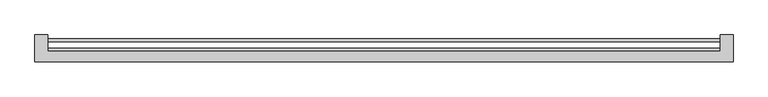
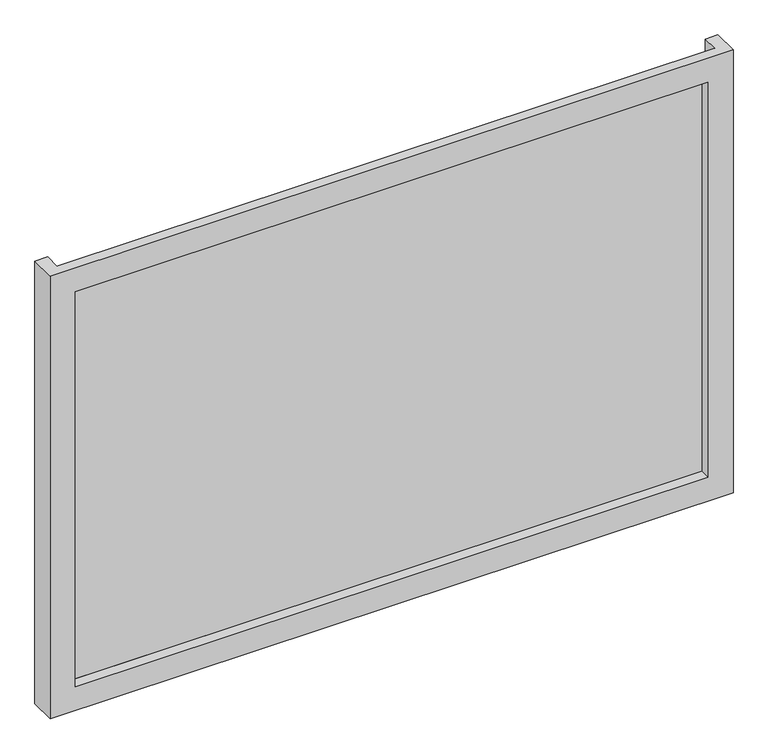
"""IFC4 building model written with IfcOpenShell, lengths in millimetres: plate geometry."""

import ifcopenshell
import ifcopenshell.guid

model = None  # the IFC model being written
_history = None  # IfcOwnerHistory: only IFC2X3 demands one
_inside = {}  # id of a spatial element -> (the spatial element, [elements in it])
_under = {}  # id of a project, library or spatial element -> (it, [spatial elements below it])
_declared = {}  # id of a project -> (the project, [libraries it declares])
_typed = {}  # id of a type object -> (the type object, [elements of that type])
_made_of = {}  # id of a material, layer set ... -> (it, [elements and type objects made of it])


def new_model(schema):
    """Start an empty IFC model of exactly this schema.

    Asked for "IFC4X3", IfcOpenShell would pick the latest addendum, in which some entities
    have other attributes; the version numbers below select the first issue.
    IFC2X3 requires an IfcOwnerHistory on every rooted entity: one is made here for all.
    """
    global model, _history
    if schema == "IFC4X3":
        model = ifcopenshell.file(schema_version=(4, 3, 0, 0))
    else:
        model = ifcopenshell.file(schema=schema)
    _inside.clear()
    _under.clear()
    _declared.clear()
    _typed.clear()
    _made_of.clear()
    _history = None
    if model.schema == "IFC2X3":
        org = make("IfcOrganization", Name="unknown")
        user = make(
            "IfcPersonAndOrganization",
            ThePerson=make("IfcPerson", FamilyName="unknown"),
            TheOrganization=org,
        )
        app = make(
            "IfcApplication",
            ApplicationDeveloper=org,
            Version="unknown",
            ApplicationFullName="unknown",
            ApplicationIdentifier="unknown",
        )
        _history = make(
            "IfcOwnerHistory",
            OwningUser=user,
            OwningApplication=app,
            ChangeAction="ADDED",
            CreationDate=0,
        )
    return model


def make(cls, **values):
    """One entity of the class cls with the attributes given. An attribute that is None is left unset."""
    return model.create_entity(
        cls, **{name: value for name, value in values.items() if value is not None}
    )


def rooted(cls, **values):
    """An entity with a GlobalId (a new one), such as an element, a storey or a relation."""
    return make(cls, GlobalId=ifcopenshell.guid.new(), OwnerHistory=_history, **values)


def si_unit(unit_type, name, prefix=None):
    """IfcSIUnit, for example si_unit("LENGTHUNIT", "METRE", prefix="MILLI")."""
    return make("IfcSIUnit", UnitType=unit_type, Prefix=prefix, Name=name)


def assignment(units):
    """IfcUnitAssignment: the units of a project."""
    return None if units is None else make("IfcUnitAssignment", Units=units)


def point(xyz):
    """IfcCartesianPoint."""
    return None if xyz is None else make("IfcCartesianPoint", Coordinates=xyz)


def direction(xyz):
    """IfcDirection."""
    return None if xyz is None else make("IfcDirection", DirectionRatios=xyz)


def frame(location, z_axis=None, x_axis=None):
    """IfcAxis2Placement3D, a coordinate frame: its origin and axes. An axis left out is left unset."""
    return make(
        "IfcAxis2Placement3D",
        Location=point(location),
        Axis=direction(z_axis),
        RefDirection=direction(x_axis),
    )


def origin():
    """The frame at (0, 0, 0) with its axes left unset."""
    return frame((0.0, 0.0, 0.0))


def origin_with_axes():
    """The frame at (0, 0, 0) with the z axis (0, 0, 1) and the x axis (1, 0, 0) written out."""
    return frame((0.0, 0.0, 0.0), z_axis=(0.0, 0.0, 1.0), x_axis=(1.0, 0.0, 0.0))


def place(relative_to, where):
    """IfcLocalPlacement: puts the frame where relative to a parent placement (None: the world)."""
    return make(
        "IfcLocalPlacement", PlacementRelTo=relative_to, RelativePlacement=where
    )


def context(
    kind, dimensions, precision=None, world=None, true_north=None, identifier=None
):
    """IfcGeometricRepresentationContext, for example the 3D "Model" context."""
    return make(
        "IfcGeometricRepresentationContext",
        ContextIdentifier=identifier,
        ContextType=kind,
        CoordinateSpaceDimension=dimensions,
        Precision=precision,
        WorldCoordinateSystem=world,
        TrueNorth=true_north,
    )


def project(units=None, contexts=None):
    """IfcProject with its units and contexts."""
    return rooted(
        "IfcProject",
        Name="project",
        RepresentationContexts=contexts,
        UnitsInContext=assignment(units),
    )


def spatial(cls, under=None, at=None, **own):
    """A site, building, storey or space (cls), placed at a placement, below another one or the project."""
    s = rooted(cls, ObjectPlacement=at, **own)
    if under is not None:
        _under.setdefault(under.id(), (under, []))[1].append(s)
    return s


def polyline(points):
    """IfcPolyline through the points."""
    return make("IfcPolyline", Points=[point(p) for p in points])


def outline(outer, holes=None, kind="AREA"):
    """IfcArbitraryClosedProfileDef: a profile drawn as a closed curve; with holes, ...WithVoids."""
    if holes is None:
        return make("IfcArbitraryClosedProfileDef", ProfileType=kind, OuterCurve=outer)
    return make(
        "IfcArbitraryProfileDefWithVoids",
        ProfileType=kind,
        OuterCurve=outer,
        InnerCurves=holes,
    )


def extrude(swept, where, along, depth):
    """IfcExtrudedAreaSolid: the profile swept, set in the frame where, extruded along a direction by depth."""
    return make(
        "IfcExtrudedAreaSolid",
        SweptArea=swept,
        Position=where,
        ExtrudedDirection=direction(along),
        Depth=depth,
    )


def faces_of(points, faces, orient=None, outer=None):
    """IfcFace entities. A face is a list of loops; a loop is a list of indices into points, from 0.

    orient and outer hold one flag for each loop. By default every Orientation is true, the
    first loop of a face is its IfcFaceOuterBound and the others are IfcFaceBound.
    """
    made = []
    for i, loops in enumerate(faces):
        bounds = []
        for j, loop in enumerate(loops):
            is_outer = j == 0 if outer is None else outer[i][j]
            bounds.append(
                make(
                    "IfcFaceOuterBound" if is_outer else "IfcFaceBound",
                    Bound=make("IfcPolyLoop", Polygon=[points[k] for k in loop]),
                    Orientation=True if orient is None else orient[i][j],
                )
            )
        made.append(make("IfcFace", Bounds=bounds))
    return made


def faceted_brep(points, faces, orient=None, outer=None, voids=None):
    """IfcFacetedBrep: a solid bounded by flat faces; with voids (closed shells), ...WithVoids."""
    shared = [point(p) for p in points]
    hull = make("IfcClosedShell", CfsFaces=faces_of(shared, faces, orient, outer))
    if voids is None:
        return make("IfcFacetedBrep", Outer=hull)
    return make(
        "IfcFacetedBrepWithVoids",
        Outer=hull,
        Voids=[
            make(cls, CfsFaces=faces_of(shared, fs, o, b)) for cls, fs, o, b in voids
        ],
    )


def shape(context_of_items, identifier, shape_type, items):
    """IfcShapeRepresentation: the items that make up one representation, for example the "Body"."""
    return make(
        "IfcShapeRepresentation",
        ContextOfItems=context_of_items,
        RepresentationIdentifier=identifier,
        RepresentationType=shape_type,
        Items=items,
    )


def source(mapping_origin, context_of_items, identifier, shape_type, items):
    """IfcRepresentationMap: a shape defined once, which mapped items show again and again."""
    return make(
        "IfcRepresentationMap",
        MappingOrigin=mapping_origin,
        MappedRepresentation=shape(context_of_items, identifier, shape_type, items),
    )


def transform(
    local_origin,
    x_axis=None,
    y_axis=None,
    z_axis=None,
    scale=None,
    scale2=None,
    scale3=None,
    uniform=True,
):
    """IfcCartesianTransformationOperator3D, or its non-uniform kind. x_axis, y_axis, z_axis: its Axis1, 2, 3."""
    if uniform:
        return make(
            "IfcCartesianTransformationOperator3D",
            Axis1=direction(x_axis),
            Axis2=direction(y_axis),
            LocalOrigin=point(local_origin),
            Scale=scale,
            Axis3=direction(z_axis),
        )
    return make(
        "IfcCartesianTransformationOperator3DnonUniform",
        Axis1=direction(x_axis),
        Axis2=direction(y_axis),
        LocalOrigin=point(local_origin),
        Scale=scale,
        Axis3=direction(z_axis),
        Scale2=scale2,
        Scale3=scale3,
    )


def mapped(mapping_source, mapping_target):
    """IfcMappedItem: shows the shape of a source again, moved by a transform."""
    return make(
        "IfcMappedItem", MappingSource=mapping_source, MappingTarget=mapping_target
    )


def made_of(thing, what):
    """Note that an element or type object is made of a material, layer set ...; save() writes the relation."""
    if what is not None:
        _made_of.setdefault(what.id(), (what, []))[1].append(thing)
    return thing


def element(
    cls,
    number,
    at=None,
    inside=None,
    cuts=None,
    type_object=None,
    material=None,
    context=None,
    identifier="Body",
    shape_type=None,
    held_by="IfcProductDefinitionShape",
    body=None,
    shapes=None,
    **own,
):
    """One element of the class cls, such as IfcWall. Its Tag is "e" and its number.

    at: its placement. inside: the storey or other place that contains it. cuts: it is an
    opening in that element (IfcRelVoidsElement). A single representation is given by context,
    identifier, shape_type and body (its items); several are given by shapes. held_by: the class
    of the entity that holds the representations. save() writes the other relations.
    """
    e = rooted(cls, Tag="e%d" % number, ObjectPlacement=at, **own)
    if body is not None:
        shapes = [shape(context, identifier, shape_type, body)]
    if shapes is not None:
        e.Representation = make(held_by, Representations=shapes)
    if inside is not None:
        _inside.setdefault(inside.id(), (inside, []))[1].append(e)
    if cuts is not None:
        rooted(
            "IfcRelVoidsElement", RelatingBuildingElement=cuts, RelatedOpeningElement=e
        )
    if type_object is not None:
        _typed.setdefault(type_object.id(), (type_object, []))[1].append(e)
    return made_of(e, material)


def aggregate(whole, parts):
    """IfcRelAggregates: a whole, such as a stair, and the parts it consists of."""
    return rooted("IfcRelAggregates", RelatingObject=whole, RelatedObjects=parts)


def save(model, path):
    """Write the relations noted so far, then the file.

    IfcRelAggregates (storeys below a building ...), IfcRelContainedInSpatialStructure (elements
    in a storey), IfcRelDefinesByType, IfcRelAssociatesMaterial and IfcRelDeclares: one each for
    every whole, place, type object, material and project.
    """
    for whole, parts in _under.values():
        aggregate(whole, parts)
    for where, things in _inside.values():
        rooted(
            "IfcRelContainedInSpatialStructure",
            RelatedElements=things,
            RelatingStructure=where,
        )
    for kind, things in _typed.values():
        rooted("IfcRelDefinesByType", RelatedObjects=things, RelatingType=kind)
    for what, things in _made_of.values():
        rooted("IfcRelAssociatesMaterial", RelatedObjects=things, RelatingMaterial=what)
    for by, libraries in _declared.values():
        rooted("IfcRelDeclares", RelatingContext=by, RelatedDefinitions=libraries)
    model.write(path)


def plate_b694ee06(model_context):
    return source(origin(), model_context, "Body", "SolidModel", [
        faceted_brep([(675.0, -51.0, -50.0), (675.0, -103.0, -50.0), (-675.0, -103.0, -50.0), (-675.0, -51.0, -50.0), (-650.0, -51.0, -50.0), (-650.0, -83.0, -50.0), (650.0, -83.0, -50.0), (650.0, -51.0, -50.0), (625.0, -103.0, 0.0), (625.0, -83.0, 0.0), (-625.0, -83.0, 0.0), (-625.0, -103.0, 0.0), (675.0, -103.0, 875.0), (-675.0, -103.0, 875.0), (-625.0, -103.0, 825.0), (625.0, -103.0, 825.0), (-650.0, -83.0, 875.0), (650.0, -83.0, 875.0), (625.0, -83.0, 825.0), (-625.0, -83.0, 825.0), (675.0, -51.0, 875.0), (650.0, -51.0, 875.0), (-650.0, -51.0, 875.0), (-675.0, -51.0, 875.0)], [[[0, 1, 2, 3, 4, 5, 6, 7]], [[8, 9, 10, 11]], [[12, 13, 2, 1], [11, 14, 15, 8]], [[16, 17, 6, 5], [9, 18, 19, 10]], [[20, 21, 17, 16, 22, 23, 13, 12]], [[20, 0, 7, 21]], [[21, 7, 6, 17]], [[8, 15, 18, 9]], [[12, 1, 0, 20]], [[22, 4, 3, 23]], [[16, 5, 4, 22]], [[10, 19, 14, 11]], [[23, 3, 2, 13]], [[18, 15, 14, 19]]]),
        extrude(outline(polyline([(650.0, -77.0), (650.0, -83.0), (-650.0, -83.0), (-650.0, -77.0), (650.0, -77.0)])), origin_with_axes(), (0.0, 0.0, 1.0), 825.0),
        extrude(outline(polyline([(650.0, -64.4), (-650.0, -64.4), (-650.0, -58.0), (650.0, -58.0), (650.0, -64.4)])), origin_with_axes(), (0.0, 0.0, 1.0), 825.0),
    ])


if __name__ == "__main__":
    model = new_model("IFC4")
    model_context = context("Model", 3, world=origin())
    ifc_project = project(units=[si_unit("LENGTHUNIT", "METRE", prefix="MILLI")], contexts=[model_context])
    site = spatial("IfcSite", under=ifc_project)
    building = spatial("IfcBuilding", under=site)
    placement = place(None, origin())
    plate_shape = plate_b694ee06(model_context)
    element("IfcPlate", 1, at=placement, inside=building, context=model_context, shape_type="MappedRepresentation", body=[
        mapped(plate_shape, transform((0.0, 0.0, 0.0), x_axis=(1.0, 0.0, 0.0), y_axis=(0.0, 1.0, 0.0), z_axis=(0.0, 0.0, 1.0))),
    ])
    save(model, "model.ifc")
